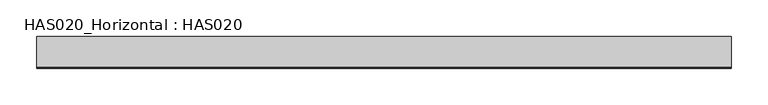
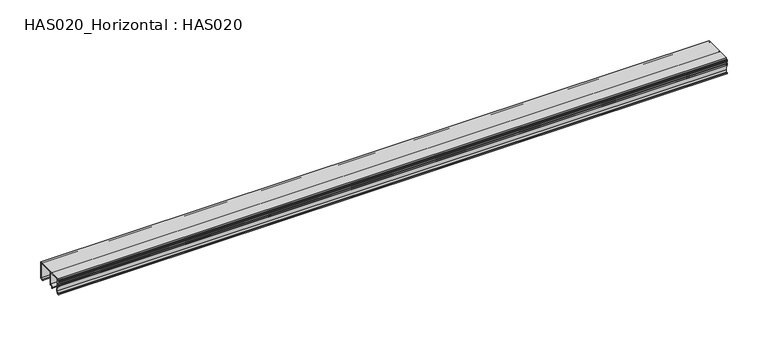
"""IFC4 building model written with IfcOpenShell, lengths in millimetres: beam geometry, HAS020_Horizontal : HAS020."""

from ifc_helpers import new_model, si_unit, point, frame, frame_2d, origin, place, context, project, spatial, polyline, circle_curve, trimmed, segment, composite_curve, outline, extrude, source, transform, mapped, element, save


def has020_horizontal_has020_dd81a86d(model_context):
    return source(origin(), model_context, "Body", "SweptSolid", [
        extrude(outline(composite_curve([segment(polyline([(20.6950115, 1.3049885), (20.6950115, 22.8919416)]), True, "CONTINUOUS"), segment(trimmed(circle_curve(frame_2d((19.8919416, 22.8919416)), 0.8030699), [point((20.6950115, 22.8919416))], [point((19.8919416, 23.6950115))], True, "CARTESIAN"), True, "CONTINUOUS"), segment(polyline([(19.8919416, 23.6950115), (-1.2890257, 23.6950115)]), True, "CONTINUOUS"), segment(trimmed(circle_curve(frame_2d((-1.2890257, 22.8919416)), 0.8030699), [point((-1.2890257, 23.6950115))], [point((-2.0920956, 22.8919416))], True, "CARTESIAN"), True, "CONTINUOUS"), segment(polyline([(-2.0920956, 22.8919416), (-2.0920956, 4.9156987), (-3.8480301, 5.2253173), (-5.6055262, 3.4678212), (-4.9969822, 2.413792)]), True, "CONTINUOUS"), segment(trimmed(circle_curve(frame_2d((-5.4316565, 2.1628327)), 0.5019187), [point((-4.9969822, 2.413792))], [point((-5.8663308, 1.9118734))], False, "CARTESIAN"), True, "CONTINUOUS"), segment(polyline([(-5.8663308, 1.9118734), (-6.551902, 3.0993175)]), True, "CONTINUOUS"), segment(trimmed(circle_curve(frame_2d((-5.8564231, 3.5008524)), 0.8030699), [point((-6.551902, 3.0993175))], [point((-6.4242792, 4.0687086))], False, "CARTESIAN"), True, "CONTINUOUS"), segment(polyline([(-6.4242792, 4.0687086), (-3.2967004, 7.1962874), (-3.2967004, 22.8919416)]), True, "CONTINUOUS"), segment(trimmed(circle_curve(frame_2d((-4.0997702, 22.8919416)), 0.8030699), [point((-3.2967004, 22.8919416))], [point((-4.0997702, 23.6950115))], True, "CARTESIAN"), True, "CONTINUOUS"), segment(polyline([(-4.0997702, 23.6950115), (-17.5868685, 23.6950115)]), True, "CONTINUOUS"), segment(trimmed(circle_curve(frame_2d((-17.5868685, 22.8919416)), 0.8030699), [point((-17.5868685, 23.6950115))], [point((-18.3899384, 22.8919416))], True, "CARTESIAN"), True, "CONTINUOUS"), segment(polyline([(-18.3899384, 22.8919416), (-18.3899384, 15.4133536)]), True, "CONTINUOUS"), segment(trimmed(circle_curve(frame_2d((-19.1930082, 15.4133536)), 0.8030699), [point((-18.3899384, 15.4133536))], [point((-19.408731, 14.6398002))], False, "CARTESIAN"), True, "CONTINUOUS"), segment(polyline([(-19.408731, 14.6398002), (-17.9906398, 6.5974057), (-18.4036027, 1.6609141), (-21.0977895, 1.6609141)]), True, "CONTINUOUS"), segment(trimmed(circle_curve(frame_2d((-21.0977895, 2.2632164)), 0.6023024), [point((-21.0977895, 1.6609141))], [point((-21.0977895, 2.8655188))], False, "CARTESIAN"), True, "CONTINUOUS"), segment(polyline([(-21.0977895, 2.8655188), (-19.509176, 2.8655188), (-19.1930082, 6.4793332), (-20.6267142, 14.6102838), (-21.5018341, 14.6102838)]), True, "CONTINUOUS"), segment(trimmed(circle_curve(frame_2d((-21.5018341, 15.1122024)), 0.5019187), [point((-21.5018341, 14.6102838))], [point((-22.0037527, 15.1122024))], False, "CARTESIAN"), True, "CONTINUOUS"), segment(polyline([(-22.0037527, 15.1122024), (-22.0037527, 16.7175747)]), True, "CONTINUOUS"), segment(trimmed(circle_curve(frame_2d((-21.5018341, 16.7175747)), 0.5019187), [point((-22.0037527, 16.7175747))], [point((-20.9999154, 16.7175747))], False, "CARTESIAN"), True, "CONTINUOUS"), segment(polyline([(-20.9999154, 16.7175747), (-20.9999154, 15.9152723), (-19.5945432, 15.9152723), (-19.5945432, 21.3359938), (-20.9999154, 21.3359938), (-20.9999154, 20.5336914)]), True, "CONTINUOUS"), segment(trimmed(circle_curve(frame_2d((-21.5018341, 20.5336914)), 0.5019187), [point((-20.9999154, 20.5336914))], [point((-22.0037527, 20.5336914))], False, "CARTESIAN"), True, "CONTINUOUS"), segment(polyline([(-22.0037527, 20.5336914), (-22.0037527, 22.1390636)]), True, "CONTINUOUS"), segment(trimmed(circle_curve(frame_2d((-21.5018341, 22.1390636)), 0.5019187), [point((-22.0037527, 22.1390636))], [point((-21.5018341, 22.6409823))], False, "CARTESIAN"), True, "CONTINUOUS"), segment(polyline([(-21.5018341, 22.6409823), (-19.7953106, 22.6409823), (-19.7953106, 25.0), (22.0, 25.0), (22.0, 0.0), (17.6333077, 0.0)]), True, "CONTINUOUS"), segment(trimmed(circle_curve(frame_2d((17.6333077, 0.6524943)), 0.6524943), [point((17.6333077, 0.0))], [point((17.6333077, 1.3049885))], False, "CARTESIAN"), True, "CONTINUOUS"), segment(polyline([(17.6333077, 1.3049885), (20.6950115, 1.3049885)]), True, "CONTINUOUS")], self_intersect=False)), frame((-474.9040671, 0.0, 0.0), z_axis=(1.0, 0.0, 0.0), x_axis=(0.0, 1.0, 0.0)), (0.0, 0.0, 1.0), 949.8081342),
    ])


if __name__ == "__main__":
    model = new_model("IFC4")
    model_context = context("Model", 3, world=origin())
    ifc_project = project(units=[si_unit("LENGTHUNIT", "METRE", prefix="MILLI")], contexts=[model_context])
    site = spatial("IfcSite", under=ifc_project)
    building = spatial("IfcBuilding", under=site)
    placement = place(None, origin())
    has020_horizontal_has020_shape = has020_horizontal_has020_dd81a86d(model_context)
    element("IfcBeam", 1, ObjectType="HAS020_Horizontal : HAS020", at=placement, inside=building, context=model_context, shape_type="MappedRepresentation", body=[
        mapped(has020_horizontal_has020_shape, transform((0.0, 0.0, 0.0), x_axis=(1.0, 0.0, 0.0), y_axis=(0.0, 1.0, 0.0), z_axis=(0.0, 0.0, 1.0))),
    ])
    save(model, "model.ifc")
